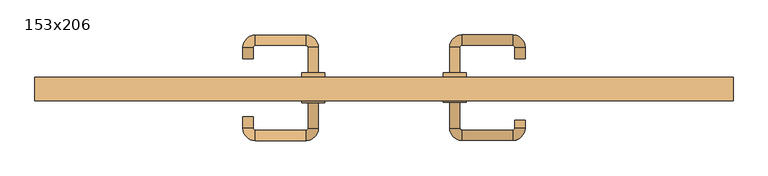
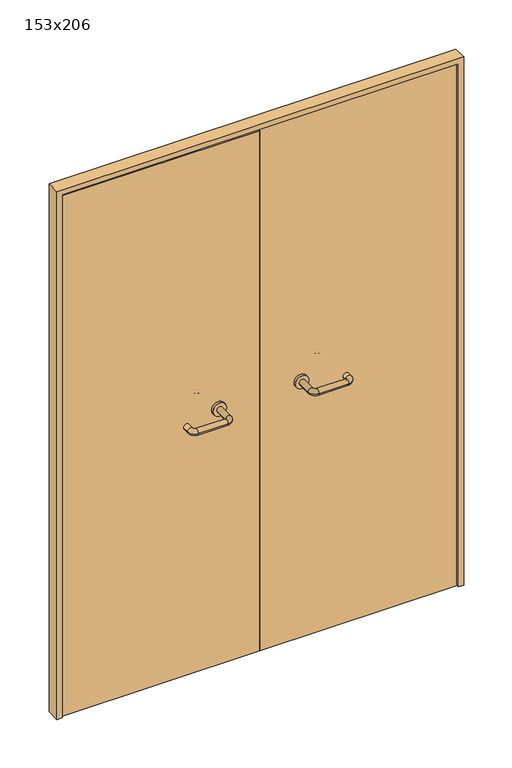
"""IFC4 building model written with IfcOpenShell, lengths in millimetres: door geometry, 153x206."""

from ifc_helpers import new_model, si_unit, point, frame, frame_2d, origin, place, context, project, spatial, polyline, circle_curve, ellipse_curve, trimmed, segment, composite_curve, outline, extrude, source, transform, mapped, element, save
from ifc_brep_helpers import plane_surface, cylinder_surface, revolved_surface, advanced_brep


def door_153x206_e1b22f5a(model_context):
    return source(origin(), model_context, "Body", "SolidModel", [
        extrude(outline(polyline([(2060.0, -750.0), (0.0, -750.0), (0.0, -730.0), (2040.0, -730.0), (2040.0, 730.0), (0.0, 730.0), (0.0, 750.0), (2060.0, 750.0), (2060.0, -750.0)])), frame((0.0, 100.0, 0.0), z_axis=(0.0, 1.0, 0.0), x_axis=(0.0, 0.0, 1.0)), (0.0, 0.0, 1.0), 50.0),
        advanced_brep(
        [(140.99898, 96.0, 1003.0), (162.99898, 96.0, 1003.0), (140.99898, 40.6474631, 1003.0), (162.99898, 40.6474631, 1003.0), (166.99898, 36.6474631, 1003.0), (166.99898, 14.6474631, 1003.0), (276.99898, 14.6474631, 1003.0), (276.99898, 36.6474631, 1003.0), (280.99898, 40.6474631, 1003.0), (302.99898, 40.6474631, 1003.0), (302.99898, 58.0, 1003.0), (280.99898, 58.0, 1003.0)],
        [
            (0, 1, circle_curve(frame((151.99898, 96.0, 1003.0), z_axis=(0.0, 1.0, 0.0), x_axis=(1.0, 0.0, 0.0)), 11.0)),
            (1, 0, circle_curve(frame((151.99898, 96.0, 1003.0), z_axis=(0.0, 1.0, 0.0), x_axis=(1.0, 0.0, 0.0)), 11.0)),
            (0, 2),
            (2, 3, circle_curve(frame((151.99898, 40.6474631, 1003.0), z_axis=(0.0, 1.0, 0.0), x_axis=(1.0, 0.0, 0.0)), 11.0)),
            (3, 1),
            (3, 2, circle_curve(frame((151.99898, 40.6474631, 1003.0), z_axis=(0.0, 1.0, 0.0), x_axis=(1.0, 0.0, 0.0)), 11.0)),
            (4, 3, circle_curve(frame((166.99898, 40.6474631, 1003.0), z_axis=(0.0, 0.0, -1.0), x_axis=(-1.0, 0.0, 0.0)), 4.0)),
            (2, 5, circle_curve(frame((166.99898, 40.6474631, 1003.0), z_axis=(0.0, 0.0, 1.0), x_axis=(-1.0, 0.0, 0.0)), 26.0)),
            (5, 4, circle_curve(frame((166.99898, 25.6474631, 1003.0), z_axis=(-1.0, 0.0, 0.0), x_axis=(0.0, 1.0, 0.0)), 11.0)),
            (4, 5, circle_curve(frame((166.99898, 25.6474631, 1003.0), z_axis=(-1.0, 0.0, 0.0), x_axis=(0.0, 1.0, 0.0)), 11.0)),
            (5, 6),
            (6, 7, circle_curve(frame((276.99898, 25.6474631, 1003.0), z_axis=(-1.0, 0.0, 0.0), x_axis=(0.0, 1.0, 0.0)), 11.0)),
            (7, 4),
            (7, 6, circle_curve(frame((276.99898, 25.6474631, 1003.0), z_axis=(-1.0, 0.0, 0.0), x_axis=(0.0, 1.0, 0.0)), 11.0)),
            (8, 7, circle_curve(frame((276.99898, 40.6474631, 1003.0), z_axis=(0.0, 0.0, -1.0), x_axis=(0.0, -1.0, 0.0)), 4.0)),
            (6, 9, circle_curve(frame((276.99898, 40.6474631, 1003.0), z_axis=(0.0, 0.0, 1.0), x_axis=(0.0, -1.0, 0.0)), 26.0)),
            (9, 8, circle_curve(frame((291.99898, 40.6474631, 1003.0), z_axis=(0.0, -1.0, 0.0), x_axis=(-1.0, 0.0, 0.0)), 11.0)),
            (8, 9, circle_curve(frame((291.99898, 40.6474631, 1003.0), z_axis=(0.0, -1.0, 0.0), x_axis=(-1.0, 0.0, 0.0)), 11.0)),
            (10, 11, circle_curve(frame((291.99898, 58.0, 1003.0), z_axis=(0.0, 1.0, 0.0), x_axis=(-1.0, 0.0, 0.0)), 11.0)),
            (11, 10, circle_curve(frame((291.99898, 58.0, 1003.0), z_axis=(0.0, 1.0, 0.0), x_axis=(-1.0, 0.0, 0.0)), 11.0)),
            (9, 10),
            (11, 8),
        ],
        [
            plane_surface(frame((140.99898, 96.0, 1003.0), z_axis=(0.0, 1.0, 0.0), x_axis=(0.0, 0.0, -1.0))),
            cylinder_surface(frame((151.99898, 96.0, 1003.0), z_axis=(0.0, 1.0, 0.0), x_axis=(1.0, 0.0, 0.0)), 11.0),
            revolved_surface(trimmed(ellipse_curve(frame((151.99898, 40.6474631, 1003.0), z_axis=(0.0, 1.0, 0.0), x_axis=(1.0, 0.0, 0.0)), 11.0, 11.0), [point((140.99898, 40.6474631, 1003.0))], [point((162.99898, 40.6474631, 1003.0))], True, "CARTESIAN"), (166.99898, 40.6474631, 1003.0), (0.0, 0.0, 1.0)),
            revolved_surface(trimmed(ellipse_curve(frame((151.99898, 40.6474631, 1003.0), z_axis=(0.0, 1.0, 0.0), x_axis=(1.0, 0.0, 0.0)), 11.0, 11.0), [point((162.99898, 40.6474631, 1003.0))], [point((140.99898, 40.6474631, 1003.0))], True, "CARTESIAN"), (166.99898, 40.6474631, 1003.0), (0.0, 0.0, 1.0)),
            cylinder_surface(frame((166.99898, 25.6474631, 1003.0), z_axis=(-1.0, 0.0, 0.0), x_axis=(0.0, 1.0, 0.0)), 11.0),
            revolved_surface(trimmed(ellipse_curve(frame((276.99898, 25.6474631, 1003.0), z_axis=(-1.0, 0.0, 0.0), x_axis=(0.0, 1.0, 0.0)), 11.0, 11.0), [point((276.99898, 14.6474631, 1003.0))], [point((276.99898, 36.6474631, 1003.0))], True, "CARTESIAN"), (276.99898, 40.6474631, 1003.0), (0.0, 0.0, 1.0)),
            revolved_surface(trimmed(ellipse_curve(frame((276.99898, 25.6474631, 1003.0), z_axis=(-1.0, 0.0, 0.0), x_axis=(0.0, 1.0, 0.0)), 11.0, 11.0), [point((276.99898, 36.6474631, 1003.0))], [point((276.99898, 14.6474631, 1003.0))], True, "CARTESIAN"), (276.99898, 40.6474631, 1003.0), (0.0, 0.0, 1.0)),
            plane_surface(frame((280.99898, 58.0, 1003.0), z_axis=(0.0, 1.0, 0.0), x_axis=(0.0, 0.0, 1.0))),
            cylinder_surface(frame((291.99898, 40.6474631, 1003.0), z_axis=(0.0, -1.0, 0.0), x_axis=(-1.0, 0.0, 0.0)), 11.0),
        ],
        [
            (0, [[1, 2]]),
            (1, [[-1, 3, 4, 5]]),
            (1, [[-2, -5, 6, -3]]),
            (2, [[7, -4, 8, 9]]),
            (3, [[-8, -6, -7, 10]]),
            (4, [[-9, 11, 12, 13]]),
            (4, [[-10, -13, 14, -11]]),
            (5, [[15, -12, 16, 17]]),
            (6, [[-16, -14, -15, 18]]),
            (7, [[19, 20]]),
            (8, [[-17, 21, -20, 22]]),
            (8, [[-18, -22, -19, -21]]),
        ],
    ),
        extrude(outline(composite_curve([segment(trimmed(circle_curve(frame_2d((1003.0, 151.99898)), 25.0), [point((1003.0, 126.99898))], [point((1003.0, 176.99898))], False, "CARTESIAN"), True, "CONTINUOUS"), segment(trimmed(circle_curve(frame_2d((1003.0, 151.99898)), 25.0), [point((1003.0, 176.99898))], [point((1003.0, 126.99898))], False, "CARTESIAN"), True, "CONTINUOUS")], self_intersect=False)), frame((0.0, 96.0, 0.0), z_axis=(0.0, 1.0, 0.0), x_axis=(0.0, 0.0, 1.0)), (0.0, 0.0, 1.0), 10.0),
        advanced_brep(
        [(162.99898, 160.0, 1003.0), (140.99898, 160.0, 1003.0), (162.99898, 215.0, 1003.0), (140.99898, 215.0, 1003.0), (166.99898, 241.0, 1003.0), (166.99898, 219.0, 1003.0), (276.99898, 219.0, 1003.0), (276.99898, 241.0, 1003.0), (302.99898, 215.0, 1003.0), (280.99898, 215.0, 1003.0), (280.99898, 190.0, 1003.0), (302.99898, 190.0, 1003.0)],
        [
            (0, 1, circle_curve(frame((151.99898, 160.0, 1003.0), z_axis=(0.0, -1.0, 0.0), x_axis=(-1.0, 0.0, 0.0)), 11.0)),
            (1, 0, circle_curve(frame((151.99898, 160.0, 1003.0), z_axis=(0.0, -1.0, 0.0), x_axis=(-1.0, 0.0, 0.0)), 11.0)),
            (0, 2),
            (2, 3, circle_curve(frame((151.99898, 215.0, 1003.0), z_axis=(0.0, -1.0, 0.0), x_axis=(-1.0, 0.0, 0.0)), 11.0)),
            (3, 1),
            (3, 2, circle_curve(frame((151.99898, 215.0, 1003.0), z_axis=(0.0, -1.0, 0.0), x_axis=(-1.0, 0.0, 0.0)), 11.0)),
            (4, 3, circle_curve(frame((166.99898, 215.0, 1003.0), z_axis=(0.0, 0.0, 1.0), x_axis=(-1.0, 0.0, 0.0)), 26.0)),
            (2, 5, circle_curve(frame((166.99898, 215.0, 1003.0), z_axis=(0.0, 0.0, -1.0), x_axis=(-1.0, 0.0, 0.0)), 4.0)),
            (5, 4, circle_curve(frame((166.99898, 230.0, 1003.0), z_axis=(-1.0, 0.0, 0.0), x_axis=(0.0, 1.0, 0.0)), 11.0)),
            (4, 5, circle_curve(frame((166.99898, 230.0, 1003.0), z_axis=(-1.0, 0.0, 0.0), x_axis=(0.0, 1.0, 0.0)), 11.0)),
            (5, 6),
            (6, 7, circle_curve(frame((276.99898, 230.0, 1003.0), z_axis=(-1.0, 0.0, 0.0), x_axis=(0.0, 1.0, 0.0)), 11.0)),
            (7, 4),
            (7, 6, circle_curve(frame((276.99898, 230.0, 1003.0), z_axis=(-1.0, 0.0, 0.0), x_axis=(0.0, 1.0, 0.0)), 11.0)),
            (8, 7, circle_curve(frame((276.99898, 215.0, 1003.0), z_axis=(0.0, 0.0, 1.0), x_axis=(0.0, 1.0, 0.0)), 26.0)),
            (6, 9, circle_curve(frame((276.99898, 215.0, 1003.0), z_axis=(0.0, 0.0, -1.0), x_axis=(0.0, 1.0, 0.0)), 4.0)),
            (9, 8, circle_curve(frame((291.99898, 215.0, 1003.0), z_axis=(0.0, 1.0, 0.0), x_axis=(1.0, 0.0, 0.0)), 11.0)),
            (8, 9, circle_curve(frame((291.99898, 215.0, 1003.0), z_axis=(0.0, 1.0, 0.0), x_axis=(1.0, 0.0, 0.0)), 11.0)),
            (10, 11, circle_curve(frame((291.99898, 190.0, 1003.0), z_axis=(0.0, -1.0, 0.0), x_axis=(1.0, 0.0, 0.0)), 11.0)),
            (11, 10, circle_curve(frame((291.99898, 190.0, 1003.0), z_axis=(0.0, -1.0, 0.0), x_axis=(1.0, 0.0, 0.0)), 11.0)),
            (9, 10),
            (11, 8),
        ],
        [
            plane_surface(frame((140.99898, 160.0, 1003.0), z_axis=(0.0, -1.0, 0.0), x_axis=(0.0, 0.0, 1.0))),
            cylinder_surface(frame((151.99898, 160.0, 1003.0), z_axis=(0.0, -1.0, 0.0), x_axis=(-1.0, 0.0, 0.0)), 11.0),
            revolved_surface(trimmed(ellipse_curve(frame((151.99898, 215.0, 1003.0), z_axis=(0.0, -1.0, 0.0), x_axis=(-1.0, 0.0, 0.0)), 11.0, 11.0), [point((162.99898, 215.0, 1003.0))], [point((140.99898, 215.0, 1003.0))], True, "CARTESIAN"), (166.99898, 215.0, 1003.0), (0.0, 0.0, -1.0)),
            revolved_surface(trimmed(ellipse_curve(frame((151.99898, 215.0, 1003.0), z_axis=(0.0, -1.0, 0.0), x_axis=(-1.0, 0.0, 0.0)), 11.0, 11.0), [point((140.99898, 215.0, 1003.0))], [point((162.99898, 215.0, 1003.0))], True, "CARTESIAN"), (166.99898, 215.0, 1003.0), (0.0, 0.0, -1.0)),
            cylinder_surface(frame((166.99898, 230.0, 1003.0), z_axis=(-1.0, 0.0, 0.0), x_axis=(0.0, 1.0, 0.0)), 11.0),
            revolved_surface(trimmed(ellipse_curve(frame((276.99898, 230.0, 1003.0), z_axis=(-1.0, 0.0, 0.0), x_axis=(0.0, 1.0, 0.0)), 11.0, 11.0), [point((276.99898, 219.0, 1003.0))], [point((276.99898, 241.0, 1003.0))], True, "CARTESIAN"), (276.99898, 215.0, 1003.0), (0.0, 0.0, -1.0)),
            revolved_surface(trimmed(ellipse_curve(frame((276.99898, 230.0, 1003.0), z_axis=(-1.0, 0.0, 0.0), x_axis=(0.0, 1.0, 0.0)), 11.0, 11.0), [point((276.99898, 241.0, 1003.0))], [point((276.99898, 219.0, 1003.0))], True, "CARTESIAN"), (276.99898, 215.0, 1003.0), (0.0, 0.0, -1.0)),
            plane_surface(frame((280.99898, 190.0, 1003.0), z_axis=(0.0, -1.0, 0.0), x_axis=(0.0, 0.0, -1.0))),
            cylinder_surface(frame((291.99898, 215.0, 1003.0), z_axis=(0.0, 1.0, 0.0), x_axis=(1.0, 0.0, 0.0)), 11.0),
        ],
        [
            (0, [[1, 2]]),
            (1, [[-1, 3, 4, 5]]),
            (1, [[-2, -5, 6, -3]]),
            (2, [[7, -4, 8, 9]]),
            (3, [[-8, -6, -7, 10]]),
            (4, [[-9, 11, 12, 13]]),
            (4, [[-10, -13, 14, -11]]),
            (5, [[15, -12, 16, 17]]),
            (6, [[-16, -14, -15, 18]]),
            (7, [[19, 20]]),
            (8, [[-17, 21, -20, 22]]),
            (8, [[-18, -22, -19, -21]]),
        ],
    ),
        extrude(outline(composite_curve([segment(trimmed(circle_curve(frame_2d((1003.0, 151.99898)), 25.0), [point((1003.0, 176.99898))], [point((1003.0, 126.99898))], False, "CARTESIAN"), True, "CONTINUOUS"), segment(trimmed(circle_curve(frame_2d((1003.0, 151.99898)), 25.0), [point((1003.0, 126.99898))], [point((1003.0, 176.99898))], False, "CARTESIAN"), True, "CONTINUOUS")], self_intersect=False)), frame((0.0, 150.0, 0.0), z_axis=(0.0, 1.0, 0.0), x_axis=(0.0, 0.0, 1.0)), (0.0, 0.0, 1.0), 10.0),
        advanced_brep(
        [(-162.99898, 95.6886121, 1003.0), (-140.99898, 95.6886121, 1003.0), (-162.99898, 40.2779553, 1003.0), (-140.99898, 40.2779553, 1003.0), (-166.99898, 14.2779553, 1003.0), (-166.99898, 36.2779553, 1003.0), (-276.99898, 36.2779553, 1003.0), (-276.99898, 14.2779553, 1003.0), (-302.99898, 40.2779553, 1003.0), (-280.99898, 40.2779553, 1003.0), (-280.99898, 65.2779553, 1003.0), (-302.99898, 65.2779553, 1003.0)],
        [
            (0, 1, circle_curve(frame((-151.99898, 95.6886121, 1003.0), z_axis=(0.0, 1.0, 0.0), x_axis=(1.0, 0.0, 0.0)), 11.0)),
            (1, 0, circle_curve(frame((-151.99898, 95.6886121, 1003.0), z_axis=(0.0, 1.0, 0.0), x_axis=(1.0, 0.0, 0.0)), 11.0)),
            (0, 2),
            (2, 3, circle_curve(frame((-151.99898, 40.2779553, 1003.0), z_axis=(0.0, 1.0, 0.0), x_axis=(1.0, 0.0, 0.0)), 11.0)),
            (3, 1),
            (3, 2, circle_curve(frame((-151.99898, 40.2779553, 1003.0), z_axis=(0.0, 1.0, 0.0), x_axis=(1.0, 0.0, 0.0)), 11.0)),
            (4, 3, circle_curve(frame((-166.99898, 40.2779553, 1003.0), z_axis=(0.0, 0.0, 1.0), x_axis=(1.0, 0.0, 0.0)), 26.0)),
            (2, 5, circle_curve(frame((-166.99898, 40.2779553, 1003.0), z_axis=(0.0, 0.0, -1.0), x_axis=(1.0, 0.0, 0.0)), 4.0)),
            (5, 4, circle_curve(frame((-166.99898, 25.2779553, 1003.0), z_axis=(1.0, 0.0, 0.0), x_axis=(0.0, -1.0, 0.0)), 11.0)),
            (4, 5, circle_curve(frame((-166.99898, 25.2779553, 1003.0), z_axis=(1.0, 0.0, 0.0), x_axis=(0.0, -1.0, 0.0)), 11.0)),
            (5, 6),
            (6, 7, circle_curve(frame((-276.99898, 25.2779553, 1003.0), z_axis=(1.0, 0.0, 0.0), x_axis=(0.0, -1.0, 0.0)), 11.0)),
            (7, 4),
            (7, 6, circle_curve(frame((-276.99898, 25.2779553, 1003.0), z_axis=(1.0, 0.0, 0.0), x_axis=(0.0, -1.0, 0.0)), 11.0)),
            (8, 7, circle_curve(frame((-276.99898, 40.2779553, 1003.0), z_axis=(0.0, 0.0, 1.0), x_axis=(0.0, -1.0, 0.0)), 26.0)),
            (6, 9, circle_curve(frame((-276.99898, 40.2779553, 1003.0), z_axis=(0.0, 0.0, -1.0), x_axis=(0.0, -1.0, 0.0)), 4.0)),
            (9, 8, circle_curve(frame((-291.99898, 40.2779553, 1003.0), z_axis=(0.0, -1.0, 0.0), x_axis=(-1.0, 0.0, 0.0)), 11.0)),
            (8, 9, circle_curve(frame((-291.99898, 40.2779553, 1003.0), z_axis=(0.0, -1.0, 0.0), x_axis=(-1.0, 0.0, 0.0)), 11.0)),
            (10, 11, circle_curve(frame((-291.99898, 65.2779553, 1003.0), z_axis=(0.0, 1.0, 0.0), x_axis=(-1.0, 0.0, 0.0)), 11.0)),
            (11, 10, circle_curve(frame((-291.99898, 65.2779553, 1003.0), z_axis=(0.0, 1.0, 0.0), x_axis=(-1.0, 0.0, 0.0)), 11.0)),
            (9, 10),
            (11, 8),
        ],
        [
            plane_surface(frame((-162.99898, 95.6886121, 1003.0), z_axis=(0.0, 1.0, 0.0), x_axis=(0.0, 0.0, -1.0))),
            cylinder_surface(frame((-151.99898, 95.6886121, 1003.0), z_axis=(0.0, 1.0, 0.0), x_axis=(1.0, 0.0, 0.0)), 11.0),
            revolved_surface(trimmed(ellipse_curve(frame((-151.99898, 40.2779553, 1003.0), z_axis=(0.0, 1.0, 0.0), x_axis=(1.0, 0.0, 0.0)), 11.0, 11.0), [point((-162.99898, 40.2779553, 1003.0))], [point((-140.99898, 40.2779553, 1003.0))], True, "CARTESIAN"), (-166.99898, 40.2779553, 1003.0), (0.0, 0.0, -1.0)),
            revolved_surface(trimmed(ellipse_curve(frame((-151.99898, 40.2779553, 1003.0), z_axis=(0.0, 1.0, 0.0), x_axis=(1.0, 0.0, 0.0)), 11.0, 11.0), [point((-140.99898, 40.2779553, 1003.0))], [point((-162.99898, 40.2779553, 1003.0))], True, "CARTESIAN"), (-166.99898, 40.2779553, 1003.0), (0.0, 0.0, -1.0)),
            cylinder_surface(frame((-166.99898, 25.2779553, 1003.0), z_axis=(1.0, 0.0, 0.0), x_axis=(0.0, -1.0, 0.0)), 11.0),
            revolved_surface(trimmed(ellipse_curve(frame((-276.99898, 25.2779553, 1003.0), z_axis=(1.0, 0.0, 0.0), x_axis=(0.0, -1.0, 0.0)), 11.0, 11.0), [point((-276.99898, 36.2779553, 1003.0))], [point((-276.99898, 14.2779553, 1003.0))], True, "CARTESIAN"), (-276.99898, 40.2779553, 1003.0), (0.0, 0.0, -1.0)),
            revolved_surface(trimmed(ellipse_curve(frame((-276.99898, 25.2779553, 1003.0), z_axis=(1.0, 0.0, 0.0), x_axis=(0.0, -1.0, 0.0)), 11.0, 11.0), [point((-276.99898, 14.2779553, 1003.0))], [point((-276.99898, 36.2779553, 1003.0))], True, "CARTESIAN"), (-276.99898, 40.2779553, 1003.0), (0.0, 0.0, -1.0)),
            plane_surface(frame((-302.99898, 65.2779553, 1003.0), z_axis=(0.0, 1.0, 0.0), x_axis=(0.0, 0.0, 1.0))),
            cylinder_surface(frame((-291.99898, 40.2779553, 1003.0), z_axis=(0.0, -1.0, 0.0), x_axis=(-1.0, 0.0, 0.0)), 11.0),
        ],
        [
            (0, [[1, 2]]),
            (1, [[-1, 3, 4, 5]]),
            (1, [[-2, -5, 6, -3]]),
            (2, [[7, -4, 8, 9]]),
            (3, [[-8, -6, -7, 10]]),
            (4, [[-9, 11, 12, 13]]),
            (4, [[-10, -13, 14, -11]]),
            (5, [[15, -12, 16, 17]]),
            (6, [[-16, -14, -15, 18]]),
            (7, [[19, 20]]),
            (8, [[-17, 21, -20, 22]]),
            (8, [[-18, -22, -19, -21]]),
        ],
    ),
        extrude(outline(composite_curve([segment(trimmed(circle_curve(frame_2d((1003.0, -151.99898)), 25.0), [point((1003.0, -176.99898))], [point((1003.0, -126.99898))], False, "CARTESIAN"), True, "CONTINUOUS"), segment(trimmed(circle_curve(frame_2d((1003.0, -151.99898)), 25.0), [point((1003.0, -126.99898))], [point((1003.0, -176.99898))], False, "CARTESIAN"), True, "CONTINUOUS")], self_intersect=False)), frame((0.0, 95.6886121, 0.0), z_axis=(0.0, 1.0, 0.0), x_axis=(0.0, 0.0, 1.0)), (0.0, 0.0, 1.0), 10.3113879),
        advanced_brep(
        [(-140.99898, 159.5143417, 1003.0), (-162.99898, 159.5143417, 1003.0), (-140.99898, 214.6104656, 1003.0), (-162.99898, 214.6104656, 1003.0), (-166.99898, 218.6104656, 1003.0), (-166.99898, 240.6104656, 1003.0), (-276.99898, 240.6104656, 1003.0), (-276.99898, 218.6104656, 1003.0), (-280.99898, 214.6104656, 1003.0), (-302.99898, 214.6104656, 1003.0), (-302.99898, 189.6104656, 1003.0), (-280.99898, 189.6104656, 1003.0)],
        [
            (0, 1, circle_curve(frame((-151.99898, 159.5143417, 1003.0), z_axis=(0.0, -1.0, 0.0), x_axis=(-1.0, 0.0, 0.0)), 11.0)),
            (1, 0, circle_curve(frame((-151.99898, 159.5143417, 1003.0), z_axis=(0.0, -1.0, 0.0), x_axis=(-1.0, 0.0, 0.0)), 11.0)),
            (0, 2),
            (2, 3, circle_curve(frame((-151.99898, 214.6104656, 1003.0), z_axis=(0.0, -1.0, 0.0), x_axis=(-1.0, 0.0, 0.0)), 11.0)),
            (3, 1),
            (3, 2, circle_curve(frame((-151.99898, 214.6104656, 1003.0), z_axis=(0.0, -1.0, 0.0), x_axis=(-1.0, 0.0, 0.0)), 11.0)),
            (4, 3, circle_curve(frame((-166.99898, 214.6104656, 1003.0), z_axis=(0.0, 0.0, -1.0), x_axis=(1.0, 0.0, 0.0)), 4.0)),
            (2, 5, circle_curve(frame((-166.99898, 214.6104656, 1003.0), z_axis=(0.0, 0.0, 1.0), x_axis=(1.0, 0.0, 0.0)), 26.0)),
            (5, 4, circle_curve(frame((-166.99898, 229.6104656, 1003.0), z_axis=(1.0, 0.0, 0.0), x_axis=(0.0, -1.0, 0.0)), 11.0)),
            (4, 5, circle_curve(frame((-166.99898, 229.6104656, 1003.0), z_axis=(1.0, 0.0, 0.0), x_axis=(0.0, -1.0, 0.0)), 11.0)),
            (5, 6),
            (6, 7, circle_curve(frame((-276.99898, 229.6104656, 1003.0), z_axis=(1.0, 0.0, 0.0), x_axis=(0.0, -1.0, 0.0)), 11.0)),
            (7, 4),
            (7, 6, circle_curve(frame((-276.99898, 229.6104656, 1003.0), z_axis=(1.0, 0.0, 0.0), x_axis=(0.0, -1.0, 0.0)), 11.0)),
            (8, 7, circle_curve(frame((-276.99898, 214.6104656, 1003.0), z_axis=(0.0, 0.0, -1.0), x_axis=(0.0, 1.0, 0.0)), 4.0)),
            (6, 9, circle_curve(frame((-276.99898, 214.6104656, 1003.0), z_axis=(0.0, 0.0, 1.0), x_axis=(0.0, 1.0, 0.0)), 26.0)),
            (9, 8, circle_curve(frame((-291.99898, 214.6104656, 1003.0), z_axis=(0.0, 1.0, 0.0), x_axis=(1.0, 0.0, 0.0)), 11.0)),
            (8, 9, circle_curve(frame((-291.99898, 214.6104656, 1003.0), z_axis=(0.0, 1.0, 0.0), x_axis=(1.0, 0.0, 0.0)), 11.0)),
            (10, 11, circle_curve(frame((-291.99898, 189.6104656, 1003.0), z_axis=(0.0, -1.0, 0.0), x_axis=(1.0, 0.0, 0.0)), 11.0)),
            (11, 10, circle_curve(frame((-291.99898, 189.6104656, 1003.0), z_axis=(0.0, -1.0, 0.0), x_axis=(1.0, 0.0, 0.0)), 11.0)),
            (9, 10),
            (11, 8),
        ],
        [
            plane_surface(frame((-162.99898, 159.5143417, 1003.0), z_axis=(0.0, -1.0, 0.0), x_axis=(0.0, 0.0, 1.0))),
            cylinder_surface(frame((-151.99898, 159.5143417, 1003.0), z_axis=(0.0, -1.0, 0.0), x_axis=(-1.0, 0.0, 0.0)), 11.0),
            revolved_surface(trimmed(ellipse_curve(frame((-151.99898, 214.6104656, 1003.0), z_axis=(0.0, -1.0, 0.0), x_axis=(-1.0, 0.0, 0.0)), 11.0, 11.0), [point((-140.99898, 214.6104656, 1003.0))], [point((-162.99898, 214.6104656, 1003.0))], True, "CARTESIAN"), (-166.99898, 214.6104656, 1003.0), (0.0, 0.0, 1.0)),
            revolved_surface(trimmed(ellipse_curve(frame((-151.99898, 214.6104656, 1003.0), z_axis=(0.0, -1.0, 0.0), x_axis=(-1.0, 0.0, 0.0)), 11.0, 11.0), [point((-162.99898, 214.6104656, 1003.0))], [point((-140.99898, 214.6104656, 1003.0))], True, "CARTESIAN"), (-166.99898, 214.6104656, 1003.0), (0.0, 0.0, 1.0)),
            cylinder_surface(frame((-166.99898, 229.6104656, 1003.0), z_axis=(1.0, 0.0, 0.0), x_axis=(0.0, -1.0, 0.0)), 11.0),
            revolved_surface(trimmed(ellipse_curve(frame((-276.99898, 229.6104656, 1003.0), z_axis=(1.0, 0.0, 0.0), x_axis=(0.0, -1.0, 0.0)), 11.0, 11.0), [point((-276.99898, 240.6104656, 1003.0))], [point((-276.99898, 218.6104656, 1003.0))], True, "CARTESIAN"), (-276.99898, 214.6104656, 1003.0), (0.0, 0.0, 1.0)),
            revolved_surface(trimmed(ellipse_curve(frame((-276.99898, 229.6104656, 1003.0), z_axis=(1.0, 0.0, 0.0), x_axis=(0.0, -1.0, 0.0)), 11.0, 11.0), [point((-276.99898, 218.6104656, 1003.0))], [point((-276.99898, 240.6104656, 1003.0))], True, "CARTESIAN"), (-276.99898, 214.6104656, 1003.0), (0.0, 0.0, 1.0)),
            plane_surface(frame((-302.99898, 189.6104656, 1003.0), z_axis=(0.0, -1.0, 0.0), x_axis=(0.0, 0.0, -1.0))),
            cylinder_surface(frame((-291.99898, 214.6104656, 1003.0), z_axis=(0.0, 1.0, 0.0), x_axis=(1.0, 0.0, 0.0)), 11.0),
        ],
        [
            (0, [[1, 2]]),
            (1, [[-1, 3, 4, 5]]),
            (1, [[-2, -5, 6, -3]]),
            (2, [[7, -4, 8, 9]]),
            (3, [[-8, -6, -7, 10]]),
            (4, [[-9, 11, 12, 13]]),
            (4, [[-10, -13, 14, -11]]),
            (5, [[15, -12, 16, 17]]),
            (6, [[-16, -14, -15, 18]]),
            (7, [[19, 20]]),
            (8, [[-17, 21, -20, 22]]),
            (8, [[-18, -22, -19, -21]]),
        ],
    ),
        extrude(outline(composite_curve([segment(trimmed(circle_curve(frame_2d((1003.0, -151.99898)), 25.0), [point((1003.0, -126.99898))], [point((1003.0, -176.99898))], False, "CARTESIAN"), True, "CONTINUOUS"), segment(trimmed(circle_curve(frame_2d((1003.0, -151.99898)), 25.0), [point((1003.0, -176.99898))], [point((1003.0, -126.99898))], False, "CARTESIAN"), True, "CONTINUOUS")], self_intersect=False)), frame((0.0, 150.0, 0.0), z_axis=(0.0, 1.0, 0.0), x_axis=(0.0, 0.0, 1.0)), (0.0, 0.0, 1.0), 9.5143417),
        extrude(outline(polyline([(1.0739506, 106.0), (-727.0, 106.0), (-727.0, 150.0), (1.0739506, 150.0), (1.0739506, 106.0)])), frame((0.0, 0.0, 1.753223), z_axis=(0.0, 0.0, 1.0), x_axis=(1.0, 0.0, 0.0)), (0.0, 0.0, 1.0), 2029.246777),
        extrude(outline(polyline([(727.0, 106.0), (1.0739506, 106.0), (1.0739506, 150.0), (727.0, 150.0), (727.0, 106.0)])), frame((0.0, 0.0, 1.753223), z_axis=(0.0, 0.0, 1.0), x_axis=(1.0, 0.0, 0.0)), (0.0, 0.0, 1.0), 2038.246777),
    ])


if __name__ == "__main__":
    model = new_model("IFC4")
    model_context = context("Model", 3, world=origin())
    ifc_project = project(units=[si_unit("LENGTHUNIT", "METRE", prefix="MILLI")], contexts=[model_context])
    site = spatial("IfcSite", under=ifc_project)
    building = spatial("IfcBuilding", under=site)
    placement = place(None, origin())
    door_153x206_shape = door_153x206_e1b22f5a(model_context)
    element("IfcDoor", 1, ObjectType="153x206", at=placement, inside=building, context=model_context, shape_type="MappedRepresentation", body=[
        mapped(door_153x206_shape, transform((0.0, 0.0, 0.0), x_axis=(1.0, 0.0, 0.0), y_axis=(0.0, 1.0, 0.0), z_axis=(0.0, 0.0, 1.0))),
    ])
    save(model, "model.ifc")
